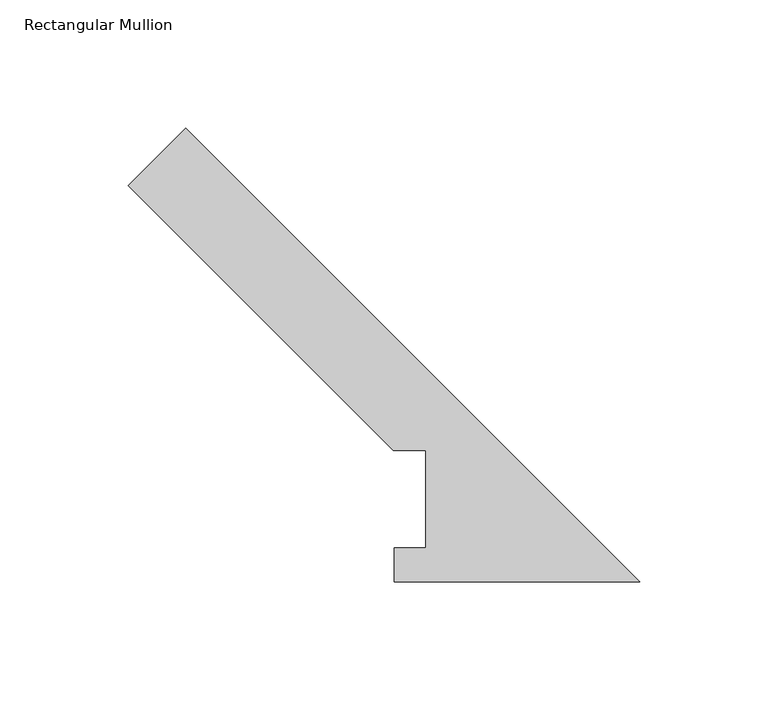
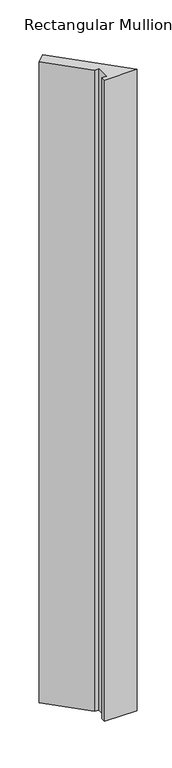
"""IFC4 building model written with IfcOpenShell, lengths in millimetres: member geometry, Rectangular Mullion."""

from ifc_helpers import new_model, si_unit, frame, origin, place, context, project, spatial, polyline, outline, extrude, source, transform, mapped, element, save


def rectangular_mullion_3041ef59(model_context):
    return source(origin(), model_context, "Body", "SweptSolid", [
        extrude(outline(polyline([(-199.4709459, 154.5869997), (-177.0203056, 177.03764), (0.0, 0.0173344), (-95.7961125, 0.0173344), (-95.7961125, 13.1903275), (-83.48004, 13.1903275), (-83.48004, 51.2960938), (-96.18004, 51.2960938), (-199.4709459, 154.5869997)])), frame((0.0, 0.0, -1993.9), z_axis=(0.0, 0.0, 1.0), x_axis=(1.0, 0.0, 0.0)), (0.0, 0.0, 1.0), 1993.9),
    ])


if __name__ == "__main__":
    model = new_model("IFC4")
    model_context = context("Model", 3, world=origin())
    ifc_project = project(units=[si_unit("LENGTHUNIT", "METRE", prefix="MILLI")], contexts=[model_context])
    site = spatial("IfcSite", under=ifc_project)
    building = spatial("IfcBuilding", under=site)
    placement = place(None, origin())
    rectangular_mullion_shape = rectangular_mullion_3041ef59(model_context)
    element("IfcMember", 1, ObjectType="Rectangular Mullion", at=placement, inside=building, context=model_context, shape_type="MappedRepresentation", body=[
        mapped(rectangular_mullion_shape, transform((0.0, 0.0, 0.0), x_axis=(1.0, 0.0, 0.0), y_axis=(0.0, 1.0, 0.0), z_axis=(0.0, 0.0, 1.0))),
    ])
    save(model, "model.ifc")
